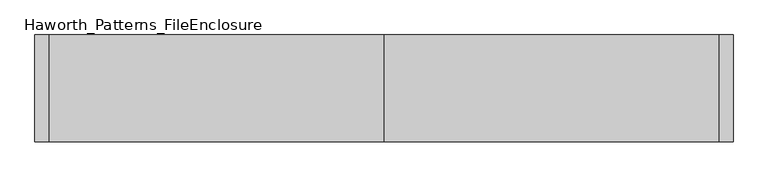
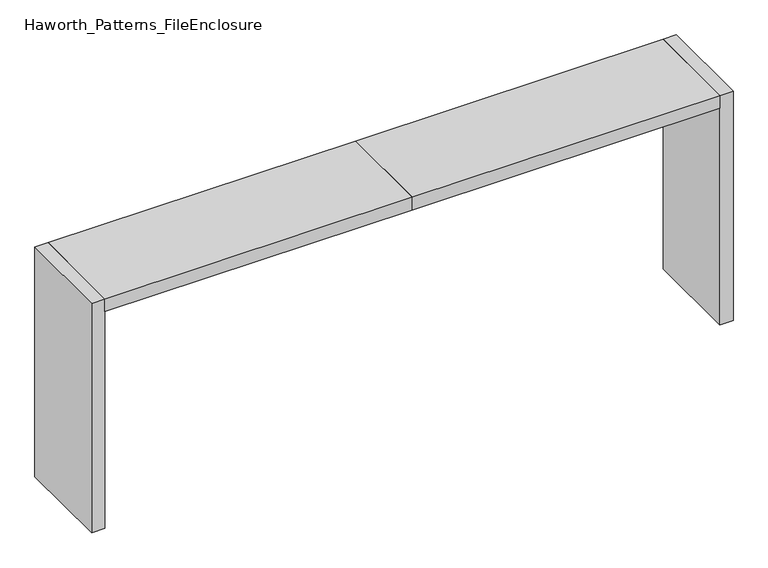
"""IFC4 building model written with IfcOpenShell, lengths in millimetres: furniture geometry, Haworth_Patterns_FileEnclosure."""

from ifc_helpers import new_model, si_unit, frame, origin, origin_with_axes, place, context, project, spatial, polyline, outline, extrude, source, transform, mapped, element, save


def haworth_patterns_fileenclosure_1b7481a8(model_context):
    return source(origin(), model_context, "Body", "SweptSolid", [
        extrude(outline(polyline([(0.0, 0.0), (1752.6, 0.0), (1752.6, -558.8), (0.0, -558.8), (0.0, 0.0)])), frame((0.0, 0.0, 1308.1), z_axis=(0.0, 0.0, 1.0), x_axis=(1.0, 0.0, 0.0)), (0.0, 0.0, 1.0), 76.2),
        extrude(outline(polyline([(0.0, 0.0), (0.0, -558.8), (-1752.6, -558.8), (-1752.6, 0.0), (0.0, 0.0)])), frame((0.0, 0.0, 1308.1), z_axis=(0.0, 0.0, 1.0), x_axis=(1.0, 0.0, 0.0)), (0.0, 0.0, 1.0), 76.2),
        extrude(outline(polyline([(1752.6, 0.0), (1828.8, 0.0), (1828.8, -558.8), (1752.6, -558.8), (1752.6, 0.0)])), origin_with_axes(), (0.0, 0.0, 1.0), 1384.3),
        extrude(outline(polyline([(-1752.6, 0.0), (-1752.6, -558.8), (-1828.8, -558.8), (-1828.8, 0.0), (-1752.6, 0.0)])), origin_with_axes(), (0.0, 0.0, 1.0), 1384.3),
    ])


if __name__ == "__main__":
    model = new_model("IFC4")
    model_context = context("Model", 3, world=origin())
    ifc_project = project(units=[si_unit("LENGTHUNIT", "METRE", prefix="MILLI")], contexts=[model_context])
    site = spatial("IfcSite", under=ifc_project)
    building = spatial("IfcBuilding", under=site)
    placement = place(None, origin())
    haworth_patterns_fileenclosure_shape = haworth_patterns_fileenclosure_1b7481a8(model_context)
    element("IfcFurniture", 1, ObjectType="Haworth_Patterns_FileEnclosure", at=placement, inside=building, context=model_context, shape_type="MappedRepresentation", body=[
        mapped(haworth_patterns_fileenclosure_shape, transform((0.0, 0.0, 0.0), x_axis=(1.0, 0.0, 0.0), y_axis=(0.0, 1.0, 0.0), z_axis=(0.0, 0.0, 1.0))),
    ])
    save(model, "model.ifc")
